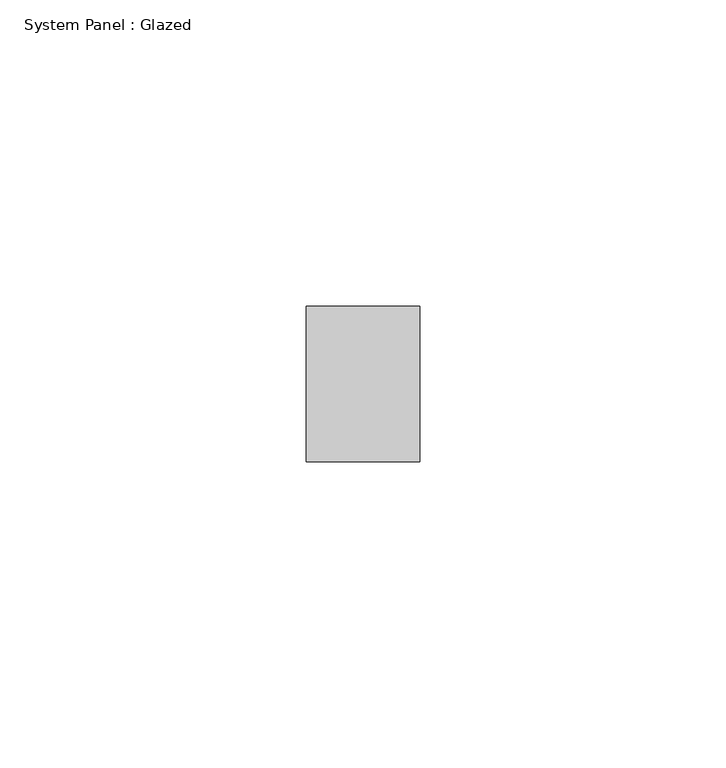
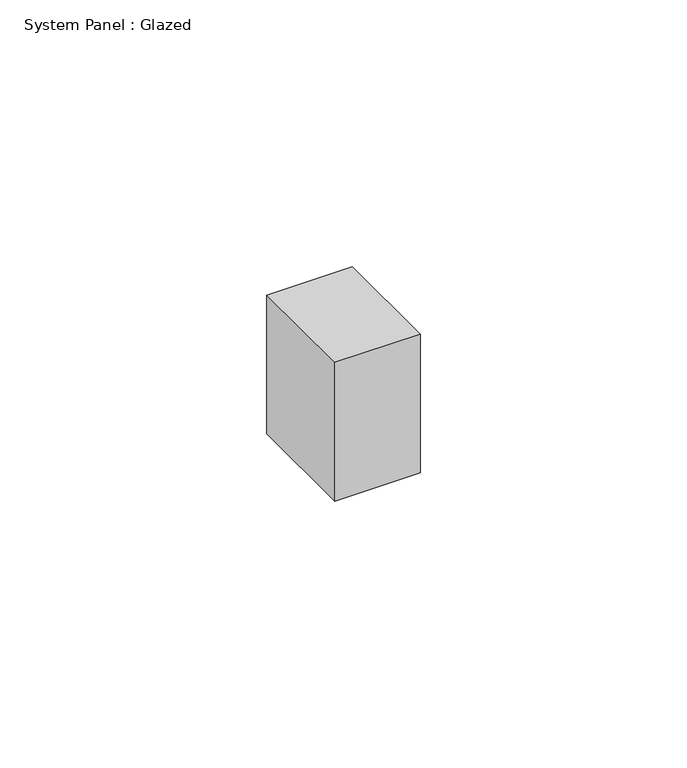
"""IFC4 building model written with IfcOpenShell, lengths in millimetres: plate geometry, System Panel : Glazed."""

from ifc_helpers import new_model, si_unit, origin, origin_with_axes, place, context, project, spatial, polyline, outline, extrude, source, transform, mapped, element, save


def system_panel_glazed_0ff616c3(model_context):
    return source(origin(), model_context, "Body", "SweptSolid", [
        extrude(outline(polyline([(9.2691053, -12.7), (-9.2691053, -12.7), (-9.2691053, 12.7), (9.2691053, 12.7), (9.2691053, -12.7)])), origin_with_axes(), (0.0, 0.0, 1.0), 31.75),
    ])


if __name__ == "__main__":
    model = new_model("IFC4")
    model_context = context("Model", 3, world=origin())
    ifc_project = project(units=[si_unit("LENGTHUNIT", "METRE", prefix="MILLI")], contexts=[model_context])
    site = spatial("IfcSite", under=ifc_project)
    building = spatial("IfcBuilding", under=site)
    placement = place(None, origin())
    system_panel_glazed_shape = system_panel_glazed_0ff616c3(model_context)
    element("IfcPlate", 1, ObjectType="System Panel : Glazed", at=placement, inside=building, context=model_context, shape_type="MappedRepresentation", body=[
        mapped(system_panel_glazed_shape, transform((0.0, 0.0, 0.0), x_axis=(1.0, 0.0, 0.0), y_axis=(0.0, 1.0, 0.0), z_axis=(0.0, 0.0, 1.0))),
    ])
    save(model, "model.ifc")
